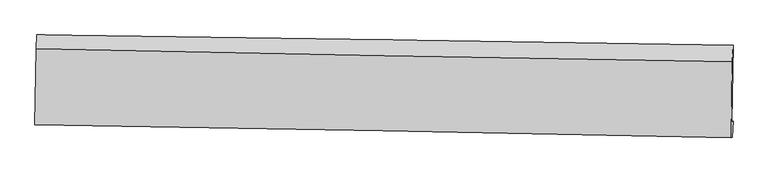
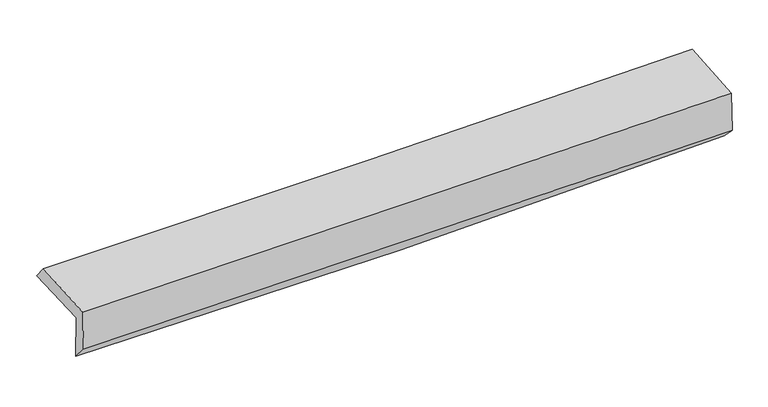
"""IFC4 building model written with IfcOpenShell, lengths in millimetres: proxy geometry."""

from ifc_helpers import new_model, si_unit, frame, origin, place, context, project, spatial, source, transform, mapped, element, save
from ifc_brep_helpers import plane_surface, spline_curve, spline_surface, advanced_brep


def generic_models_a75257af(model_context):
    return source(origin(), model_context, "Body", "AdvancedBrep", [
        advanced_brep(
        [(-3020.518882, -1765.7862089, 1963.1567213), (-3009.9035123, -1105.5865394, 1972.6858321), (3007.5843414, -1193.1256087, 2123.3774316), (2997.0544008, -1857.4788464, 2107.6551453), (-3010.2705547, -1745.1581947, 1563.8798407), (3007.0680854, -1851.8630457, 1707.8900422), (-3016.1793361, -1877.5018008, 1714.3115808), (3001.2988571, -1989.8153346, 1848.9840367), (-3025.5332557, -1882.7413704, 2087.7417505), (2991.9429039, -1995.0560433, 2222.49539), (-3015.5543394, -1227.1662337, 2119.8527982), (3001.9220028, -1339.4689074, 2254.6070255)],
        [
            (0, 1),
            (1, 2, spline_curve(3, [(-3009.9035123, -1105.5865394, 1972.6858321), (-2006.176301271, -1117.476509936, 1966.59259779), (-1002.852208589, -1130.716472521, 1976.103791798), (1002.977066094, -1159.8961961, 2026.334719606), (2005.48225768, -1175.835923687, 2067.054058606), (3007.5843414, -1193.1256087, 2123.3774316)], [4, 2, 4], [0.0, 9.876476621549214, 19.752828430295693])),
            (2, 3),
            (3, 0, spline_curve(3, [(2997.0544008, -1857.4788464, 2107.6551453), (1994.719439618, -1841.019830721, 2060.165015441), (992.090689489, -1825.149314254, 2024.378417545), (-1013.767064164, -1794.585086619, 1976.211980304), (-2016.996074861, -1779.891390838, 1963.832437238), (-3020.518882, -1765.7862089, 1963.1567213)], [4, 2, 4], [0.0, 9.87635180874648, 19.752828430295693])),
            (4, 0),
            (3, 5),
            (5, 4, spline_curve(3, [(3007.0680854, -1851.8630457, 1707.8900422), (2005.10515996, -1827.767659499, 1650.467020008), (1002.681981944, -1806.827931686, 1609.754628895), (-1003.097553324, -1771.259568167, 1561.750805982), (-2006.453922046, -1756.631012258, 1554.459796671), (-3010.2705547, -1745.1581947, 1563.8798407)], [4, 2, 4], [0.0, 9.876446264795302, 19.75301734358703])),
            (6, 4),
            (5, 7),
            (7, 6, spline_curve(3, [(3001.2988571, -1989.8153346, 1848.9840367), (1998.608036303, -1967.075967411, 1819.992214507), (995.8092791, -1946.34686926, 1794.273649219), (-1010.016782375, -1908.90897358, 1749.382747927), (-2013.044089731, -1892.200227456, 1730.210494538), (-3016.1793361, -1877.5018008, 1714.3115808)], [4, 2, 4], [0.0, 9.875905199392454, 19.7519352059436])),
            (8, 6),
            (7, 9),
            (9, 8, spline_curve(3, [(2991.9429039, -1995.0560433, 2222.49539), (1989.251744334, -1972.316866058, 2193.517098174), (986.452987132, -1951.58776778, 2167.7985328), (-1019.372396802, -1914.149492658, 2122.880570576), (-2022.399025979, -1897.440366451, 2103.681256212), (-3025.5332557, -1882.7413704, 2087.7417505)], [4, 2, 4], [0.0, 9.875404385870317, 19.750933572570272])),
            (10, 8),
            (9, 11),
            (11, 10, spline_curve(3, [(3001.9220028, -1339.4689074, 2254.6070255), (1999.129347899, -1323.397569942, 2225.302133136), (996.279827352, -1306.003412589, 2199.42021717), (-1009.545618423, -1268.569221475, 2154.502055004), (-2012.521545442, -1248.529154368, 2135.46589491), (-3015.5543394, -1227.1662337, 2119.8527982)], [4, 2, 4], [0.0, 9.875384367009515, 19.75089353459568])),
            (1, 10),
            (11, 2),
        ],
        [
            spline_surface(3, 3, [[(-3020.518882, -1765.7862089, 1963.1567213), (-2016.996074732, -1779.89139068, 1963.832437117), (-1013.767064097, -1794.58508676, 1976.211980356), (992.090689422, -1825.149314113, 2024.378417493), (1994.719439697, -1841.019830576, 2060.165015599), (2997.0544008, -1857.4788464, 2107.6551453)], [(-3016.980425435, -1545.719652399, 1966.333091566), (-2013.389483543, -1559.086430456, 1964.752490678), (-1010.128778872, -1573.295548654, 1976.175917521), (995.719481604, -1603.398274842, 2025.03051814), (1998.307045719, -1619.291861608, 2062.461363261), (3000.564380996, -1636.02776716, 2112.895907425)], [(-3013.441968865, -1325.653095901, 1969.509461834), (-2009.78289235, -1338.281470234, 1965.672544241), (-1006.490493667, -1352.006010487, 1976.139854746), (999.348273765, -1381.64723551, 2025.682618847), (2001.894651753, -1397.563892661, 2064.757710848), (3004.074361204, -1414.57668794, 2118.136669475)], [(-3009.9035123, -1105.5865394, 1972.6858321), (-2006.17630116, -1117.47651001, 1966.592597801), (-1002.852208441, -1130.716472381, 1976.103791911), (1002.977065946, -1159.89619624, 2026.334719493), (2005.482257776, -1175.835923692, 2067.05405851), (3007.5843414, -1193.1256087, 2123.3774316)]], [4, 4], [4, 2, 4], [0.0, 2.1806131679921217], [0.0, 9.876476621549214, 19.752828430295693]),
            spline_surface(3, 3, [[(-3010.2705547, -1745.1581947, 1563.8798407), (-2006.453921897, -1756.631012299, 1554.459796548), (-1003.097553228, -1771.259568221, 1561.750806016), (1002.681981848, -1806.827931632, 1609.75462886), (2005.10515986, -1827.767659408, 1650.467019935), (3007.0680854, -1851.8630457, 1707.8900422)], [(-3013.686663796, -1752.034199433, 1696.972134215), (-2009.967972838, -1764.384471759, 1690.917343386), (-1006.654056847, -1779.034741071, 1699.904530793), (999.151551044, -1812.93505913, 1747.962558401), (2001.643253146, -1832.18504979, 1787.033018487), (3003.73019054, -1853.73497926, 1841.145076564)], [(-3017.102772904, -1758.910204167, 1830.064427785), (-2013.482023792, -1772.13793122, 1827.374890279), (-1010.210560479, -1786.80991391, 1838.05825558), (995.621120226, -1819.042186615, 1886.170487953), (1998.181346411, -1836.602440194, 1923.599017047), (3000.39229566, -1855.60691284, 1974.400110936)], [(-3020.518882, -1765.7862089, 1963.1567213), (-2016.996074732, -1779.89139068, 1963.832437117), (-1013.767064097, -1794.58508676, 1976.211980356), (992.090689422, -1825.149314113, 2024.378417493), (1994.719439697, -1841.019830576, 2060.165015599), (2997.0544008, -1857.4788464, 2107.6551453)]], [4, 4], [4, 2, 4], [0.0, 1.362208876630337], [0.0, 9.876571078791727, 19.75301734358703]),
            spline_surface(3, 3, [[(-3016.1793361, -1877.5018008, 1714.3115808), (-2013.0440897, -1892.200227469, 1730.210494673), (-1010.016782464, -1908.908973709, 1749.382747886), (995.809279189, -1946.346869131, 1794.27364926), (1998.608036391, -1967.075967467, 1819.992214664), (3001.2988571, -1989.8153346, 1848.9840367)], [(-3014.209742312, -1833.387265462, 1664.167667445), (-2010.847367111, -1847.010489107, 1671.626928644), (-1007.710372714, -1863.025838518, 1686.838767281), (998.10018008, -1899.840556603, 1732.767309145), (2000.77374423, -1920.639864782, 1763.483816404), (3003.221933216, -1943.831238301, 1801.952705182)], [(-3012.240148488, -1789.272730038, 1614.023754055), (-2008.650644486, -1801.82075066, 1613.043362578), (-1005.403962978, -1817.142703412, 1624.294786622), (1000.391080957, -1853.334244161, 1671.260968976), (2002.939452021, -1874.203762093, 1706.975418195), (3005.145009284, -1897.847141999, 1754.921373718)], [(-3010.2705547, -1745.1581947, 1563.8798407), (-2006.453921897, -1756.631012299, 1554.459796548), (-1003.097553228, -1771.259568221, 1561.750806016), (1002.681981848, -1806.827931632, 1609.75462886), (2005.10515986, -1827.767659408, 1650.467019935), (3007.0680854, -1851.8630457, 1707.8900422)]], [4, 4], [4, 2, 4], [0.0, 0.7615310387321153], [0.0, 9.876030006551145, 19.7519352059436]),
            spline_surface(3, 3, [[(-3025.5332557, -1882.7413704, 2087.7417505), (-2022.399026072, -1897.44036661, 2103.681256257), (-1019.372396743, -1914.149492663, 2122.880570572), (986.452987072, -1951.587767774, 2167.798532803), (1989.251744274, -1972.31686601, 2193.517098307), (2991.9429039, -1995.0560433, 2222.49539)], [(-3022.415282497, -1880.994847185, 1963.265027273), (-2019.280713945, -1895.693653548, 1979.191002402), (-1016.253858668, -1912.402653037, 1998.381296317), (989.571751094, -1949.840801585, 2043.290238263), (1992.370508295, -1970.56989982, 2069.008803767), (2995.061554949, -1993.309140392, 2097.991605574)], [(-3019.297309303, -1879.248324015, 1838.788304027), (-2016.162401826, -1893.94694053, 1854.700748529), (-1013.135320539, -1910.655813335, 1873.882022141), (992.690515168, -1948.09383532, 1918.781943801), (1995.48927237, -1968.822933656, 1944.500509205), (2998.180206051, -1991.562237508, 1973.487821126)], [(-3016.1793361, -1877.5018008, 1714.3115808), (-2013.0440897, -1892.200227469, 1730.210494673), (-1010.016782464, -1908.908973709, 1749.382747886), (995.809279189, -1946.346869131, 1794.27364926), (1998.608036391, -1967.075967467, 1819.992214664), (3001.2988571, -1989.8153346, 1848.9840367)]], [4, 4], [4, 2, 4], [0.0, 1.2259359064044635], [0.0, 9.875529186699955, 19.750933572570272]),
            spline_surface(3, 3, [[(-3015.5543394, -1227.1662337, 2119.8527982), (-2012.521545503, -1248.529154282, 2135.465895004), (-1009.545618525, -1268.569221456, 2154.502054953), (996.279827455, -1306.003412607, 2199.420217222), (1999.129347843, -1323.397569961, 2225.302133068), (3001.9220028, -1339.4689074, 2254.6070255)], [(-3018.880644824, -1445.691279275, 2109.149115611), (-2015.814039016, -1464.832891733, 2124.8710154), (-1012.821211264, -1483.762645177, 2143.96156017), (993.004213994, -1521.198197649, 2188.87965576), (1995.836813314, -1539.704001972, 2214.70712148), (2998.595636494, -1557.997952695, 2243.903146999)], [(-3022.206950276, -1664.216324825, 2098.445433089), (-2019.106532558, -1681.136629159, 2114.276135862), (-1016.096804004, -1698.956068942, 2133.421065355), (989.728600533, -1736.392982733, 2178.339094265), (1992.544278803, -1756.010433999, 2204.112109895), (2995.269270206, -1776.526998005, 2233.199268501)], [(-3025.5332557, -1882.7413704, 2087.7417505), (-2022.399026072, -1897.44036661, 2103.681256257), (-1019.372396743, -1914.149492663, 2122.880570572), (986.452987072, -1951.587767774, 2167.798532803), (1989.251744274, -1972.31686601, 2193.517098307), (2991.9429039, -1995.0560433, 2222.49539)]], [4, 4], [4, 2, 4], [0.0, 2.1208365533438442], [0.0, 9.875509167586165, 19.75089353459568]),
            spline_surface(3, 3, [[(-3009.9035123, -1105.5865394, 1972.6858321), (-2006.17630116, -1117.47651001, 1966.592597801), (-1002.852208441, -1130.716472381, 1976.103791911), (1002.977065946, -1159.89619624, 2026.334719493), (2005.482257776, -1175.835923692, 2067.05405851), (3007.5843414, -1193.1256087, 2123.3774316)], [(-3011.787121336, -1146.113104145, 2021.74148749), (-2008.29138261, -1161.160724746, 2022.883696892), (-1005.083345134, -1176.667388733, 2035.569879613), (1000.744653117, -1208.598601689, 2084.029885424), (2003.364621137, -1225.023139141, 2119.803416685), (3005.696895205, -1241.906708293, 2167.120629556)], [(-3013.670730364, -1186.639668955, 2070.79714281), (-2010.406464052, -1204.844939546, 2079.174795913), (-1007.314481832, -1222.618305104, 2095.035967251), (998.512240284, -1257.301007158, 2141.725051291), (2001.246984482, -1274.210354512, 2172.552774893), (3003.809448995, -1290.687807807, 2210.863827544)], [(-3015.5543394, -1227.1662337, 2119.8527982), (-2012.521545503, -1248.529154282, 2135.465895004), (-1009.545618525, -1268.569221456, 2154.502054953), (996.279827455, -1306.003412607, 2199.420217222), (1999.129347843, -1323.397569961, 2225.302133068), (3001.9220028, -1339.4689074, 2254.6070255)]], [4, 4], [4, 2, 4], [0.0, 0.7415594415609371], [0.0, 9.875915354146562, 19.75170590258334]),
            plane_surface(frame((3001.1450986, -1704.4679643, 2044.1681785), z_axis=(0.9995572358002517, -0.01642996656139244, 0.024807026386726112), x_axis=(0.025038327173756314, 0.014025142880833173, -0.9995881039405743))),
            plane_surface(frame((-3016.3266467, -1600.6567247, 1903.6047539), z_axis=(-0.9995572358002542, 0.016429966561376554, -0.024807026386638325), x_axis=(-0.016075277033372252, -0.9997666485565341, -0.01443031192788554))),
        ],
        [
            (0, [[1, 2, 3, 4]]),
            (1, [[5, -4, 6, 7]]),
            (2, [[8, -7, 9, 10]]),
            (3, [[11, -10, 12, 13]]),
            (4, [[14, -13, 15, 16]]),
            (5, [[17, -16, 18, -2]]),
            (6, [[-12, -9, -6, -3, -18, -15]]),
            (7, [[-1, -5, -8, -11, -14, -17]]),
        ],
    ),
    ])


if __name__ == "__main__":
    model = new_model("IFC4")
    model_context = context("Model", 3, world=origin())
    ifc_project = project(units=[si_unit("LENGTHUNIT", "METRE", prefix="MILLI")], contexts=[model_context])
    site = spatial("IfcSite", under=ifc_project)
    building = spatial("IfcBuilding", under=site)
    placement = place(None, origin())
    generic_models_shape = generic_models_a75257af(model_context)
    element("IfcBuildingElementProxy", 1, Name="Generic Models", at=placement, inside=building, context=model_context, shape_type="MappedRepresentation", body=[
        mapped(generic_models_shape, transform((0.0, 0.0, 0.0), x_axis=(1.0, 0.0, 0.0), y_axis=(0.0, 1.0, 0.0), z_axis=(0.0, 0.0, 1.0))),
    ])
    save(model, "model.ifc")
